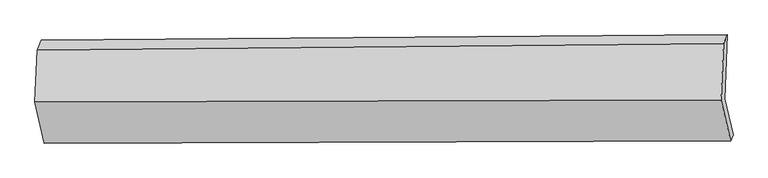
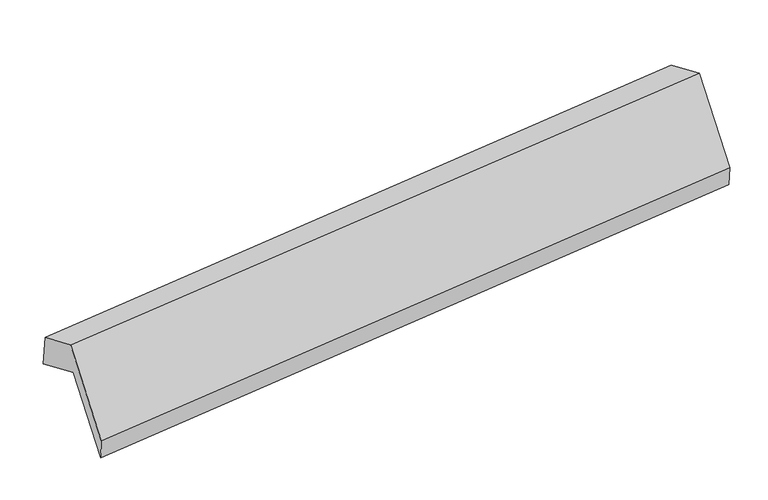
"""IFC4 building model written with IfcOpenShell, lengths in millimetres: proxy geometry."""

from ifc_helpers import new_model, si_unit, frame, origin, place, context, project, spatial, source, transform, mapped, element, save
from ifc_brep_helpers import plane_surface, spline_surface, advanced_brep


def generic_models_2f325c3a(model_context):
    return source(origin(), model_context, "Body", "AdvancedBrep", [
        advanced_brep(
        [(-5253.1322937, -1551.5896817, 1815.3205678), (-5234.8189126, -1131.6295647, 1621.7945433), (-478.2957119, -1095.4855139, 2110.5558131), (-497.663213, -1539.6185755, 2315.2212141), (-5193.6551772, -1808.1520304, 1264.1971354), (-439.1598251, -1791.9806175, 1773.1204907), (-5211.305354, -1847.9981178, 1433.285841), (-456.810002, -1831.826705, 1942.2091962), (-5277.7684072, -1561.301015, 2049.1419563), (-522.2993264, -1549.3299088, 2549.0426026), (-5262.1507946, -1203.1599185, 1884.1033734), (-505.1721445, -1156.5715613, 2368.0516978)],
        [
            (0, 1),
            (1, 2),
            (2, 3),
            (3, 0),
            (4, 0),
            (3, 5),
            (5, 4),
            (6, 4),
            (5, 7),
            (7, 6),
            (8, 6),
            (7, 9),
            (9, 8),
            (10, 8),
            (9, 11),
            (11, 10),
            (1, 10),
            (11, 2),
        ],
        [
            plane_surface(frame((-5243.9756032, -1341.6096232, 1718.5575555), z_axis=(0.095921188258809, -0.42003753347138334, -0.9024231801756284), x_axis=(0.03957357030963844, 0.9074960595842484, -0.4181923413598227))),
            plane_surface(frame((-5223.3937355, -1679.8708561, 1539.7588516), z_axis=(0.041653214116269426, 0.9075045619851959, -0.41797186475867254), x_axis=(-0.09737287155422697, 0.42003066143323764, 0.9022708946548376))),
            plane_surface(frame((-5202.4802656, -1828.0750741, 1348.7414882), z_axis=(0.027562141882894502, -0.973608171134452, -0.22655563871829537), x_axis=(0.10108080996536928, 0.22819458554749492, -0.9683542228872407))),
            plane_surface(frame((-5244.5368806, -1704.6495664, 1741.2138986), z_axis=(-0.041653214116269224, -0.9075045619851967, 0.4179718647586711), x_axis=(0.09737287155422518, -0.4200306614332362, -0.9022708946548385))),
            plane_surface(frame((-5269.9596009, -1382.2304668, 1966.6226648), z_axis=(-0.09592118825880902, 0.4200375334713837, 0.9024231801756282), x_axis=(-0.03957357030963847, -0.9074960595842482, 0.418192341359823))),
            spline_surface(1, 1, [[(-5234.8189126, -1131.6295647, 1621.7945433), (-478.2957119, -1095.4855139, 2110.5558131)], [(-5262.1507946, -1203.1599185, 1884.1033734), (-505.1721445, -1156.5715613, 2368.0516978)]], [2, 2], [2, 2], [0.0, 1.0], [0.0, 1.0]),
            plane_surface(frame((-483.2333705, -1494.1354804, 2176.3668358), z_axis=(0.9944608873245007, 0.005014508452231871, 0.10498761015829242), x_axis=(0.09737287155422518, -0.4200306614332362, -0.9022708946548385))),
            plane_surface(frame((-5238.8051566, -1517.3050547, 1677.9739028), z_axis=(-0.9944608873245003, -0.005014508452227916, -0.10498761015829455), x_axis=(-0.039573570309637644, -0.9074960595842485, 0.41819234135982264))),
        ],
        [
            (0, [[1, 2, 3, 4]]),
            (1, [[5, -4, 6, 7]]),
            (2, [[8, -7, 9, 10]]),
            (3, [[11, -10, 12, 13]]),
            (4, [[14, -13, 15, 16]]),
            (5, [[17, -16, 18, -2]]),
            (6, [[-12, -9, -6, -3, -18, -15]]),
            (7, [[-1, -5, -8, -11, -14, -17]]),
        ],
    ),
    ])


if __name__ == "__main__":
    model = new_model("IFC4")
    model_context = context("Model", 3, world=origin())
    ifc_project = project(units=[si_unit("LENGTHUNIT", "METRE", prefix="MILLI")], contexts=[model_context])
    site = spatial("IfcSite", under=ifc_project)
    building = spatial("IfcBuilding", under=site)
    placement = place(None, origin())
    generic_models_shape = generic_models_2f325c3a(model_context)
    element("IfcBuildingElementProxy", 1, Name="Generic Models", at=placement, inside=building, context=model_context, shape_type="MappedRepresentation", body=[
        mapped(generic_models_shape, transform((0.0, 0.0, 0.0), x_axis=(1.0, 0.0, 0.0), y_axis=(0.0, 1.0, 0.0), z_axis=(0.0, 0.0, 1.0))),
    ])
    save(model, "model.ifc")
